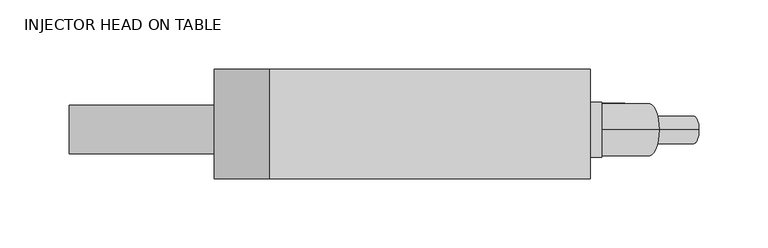
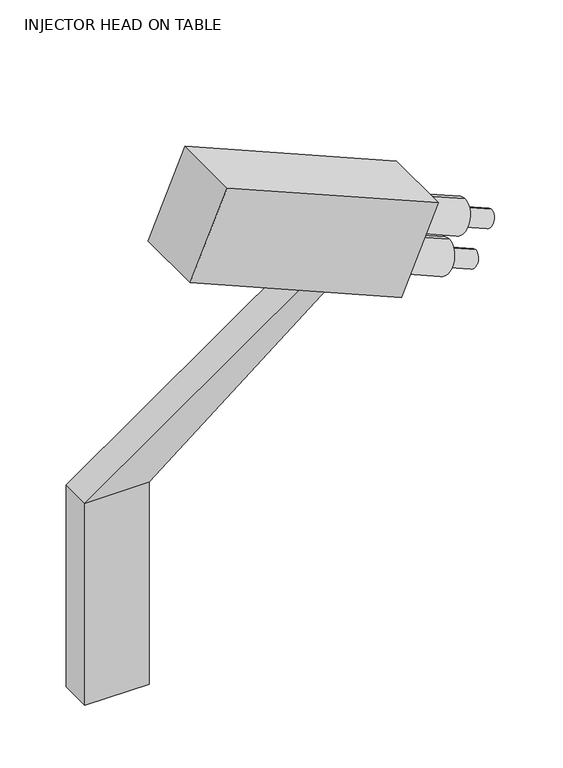
"""IFC4 building model written with IfcOpenShell, lengths in millimetres: proxy geometry, INJECTOR HEAD ON TABLE."""

from ifc_helpers import new_model, si_unit, point, frame, frame_2d, origin, place, context, project, spatial, polyline, circle_curve, trimmed, segment, composite_curve, outline, extrude, source, transform, mapped, element, save


def injector_head_on_table_94926797(model_context):
    return source(origin(), model_context, "Body", "SweptSolid", [
        extrude(outline(polyline([(0.0, -251.9015352), (0.0, 0.0), (79.5514495, 0.0), (79.5514495, -251.9015352), (0.0, -251.9015352)])), frame((248.6838708, 132.4505475, 1319.1063049), z_axis=(0.39073112848926705, 0.0, 0.9205048534524433), x_axis=(0.0, -1.0, 0.0)), (0.0, 0.0, 1.0), 103.7436607),
        extrude(outline(polyline([(0.0, -39.6875), (0.0, 0.0), (12.2938796, 0.0), (12.2938796, -39.6875), (0.0, -39.6875)])), frame((261.6103102, 68.7159212, 1318.0028647), z_axis=(0.3900087443499283, 0.0, 0.9208111529138818), x_axis=(-0.9208111529138818, 0.0, 0.3900087443499283)), (0.0, 0.0, 1.0), 92.075),
        extrude(outline(composite_curve([segment(trimmed(circle_curve(frame_2d((0.0, -9.8610056)), 9.8610056), [point((0.0, -19.7220113))], [point((0.0, 0.0))], False, "CARTESIAN"), True, "CONTINUOUS"), segment(trimmed(circle_curve(frame_2d((0.0, -9.8610056)), 9.8610056), [point((0.0, 0.0))], [point((0.0, -19.7220113))], False, "CARTESIAN"), True, "CONTINUOUS")], self_intersect=False)), frame((343.104165, 88.3518732, 1298.8733183), z_axis=(-0.9208111529138808, 0.0, 0.3900087443499307), x_axis=(0.0, 1.0, 0.0)), (0.0, 0.0, 1.0), 35.3087573),
        extrude(outline(composite_curve([segment(trimmed(circle_curve(frame_2d((0.0, -19.0499999)), 19.05), [point((0.0, -38.1))], [point((0.0, 0.0))], False, "CARTESIAN"), True, "CONTINUOUS"), segment(trimmed(circle_curve(frame_2d((0.0, -19.0499999)), 19.05), [point((0.0, 0.0))], [point((0.0, -38.1))], False, "CARTESIAN"), True, "CONTINUOUS")], self_intersect=False)), frame((307.0076793, 88.4690285, 1304.1827139), z_axis=(-0.9208111529138808, 0.0, 0.3900087443499307), x_axis=(0.0, 1.0, 0.0)), (0.0, 0.0, 1.0), 47.1923835),
        extrude(outline(composite_curve([segment(trimmed(circle_curve(frame_2d((0.0, -9.8610057)), 9.8610056), [point((0.0, -19.7220112))], [point((0.0, 0.0))], False, "CARTESIAN"), True, "CONTINUOUS"), segment(trimmed(circle_curve(frame_2d((0.0, -9.8610057)), 9.8610056), [point((0.0, 0.0))], [point((0.0, -19.7220112))], False, "CARTESIAN"), True, "CONTINUOUS")], self_intersect=False)), frame((360.4400537, 88.3518732, 1339.803374), z_axis=(-0.9208111529138808, 0.0, 0.3900087443499307), x_axis=(0.0, 1.0, 0.0)), (0.0, 0.0, 1.0), 35.3087573),
        extrude(outline(composite_curve([segment(trimmed(circle_curve(frame_2d((0.0, -19.05)), 19.05), [point((0.0, -38.1))], [point((0.0, 0.0))], False, "CARTESIAN"), True, "CONTINUOUS"), segment(trimmed(circle_curve(frame_2d((0.0, -19.05)), 19.05), [point((0.0, 0.0))], [point((0.0, -38.1))], False, "CARTESIAN"), True, "CONTINUOUS")], self_intersect=False)), frame((324.343568, 88.4690285, 1345.1127696), z_axis=(-0.9208111529138808, 0.0, 0.3900087443499307), x_axis=(0.0, 1.0, 0.0)), (0.0, 0.0, 1.0), 47.1923835),
        extrude(outline(polyline([(1363.1660997, 163.1660997), (1187.1439113, -88.2196378), (1187.1439113, -17.5370844), (1342.4643976, 177.6615876), (1363.1660997, 163.1660997)])), frame((0.0, 70.9829439, 0.0), z_axis=(0.0, 1.0, 0.0), x_axis=(0.0, 0.0, 1.0)), (0.0, 0.0, 1.0), 35.2754961),
        extrude(outline(polyline([(-17.5370844, 106.25844), (-17.5370844, 70.9829439), (-88.2196378, 70.9829439), (-88.2196378, 106.25844), (-17.5370844, 106.25844)])), frame((0.0, 0.0, 952.5), z_axis=(0.0, 0.0, 1.0), x_axis=(1.0, 0.0, 0.0)), (0.0, 0.0, 1.0), 234.6439113),
    ])


if __name__ == "__main__":
    model = new_model("IFC4")
    model_context = context("Model", 3, world=origin())
    ifc_project = project(units=[si_unit("LENGTHUNIT", "METRE", prefix="MILLI")], contexts=[model_context])
    site = spatial("IfcSite", under=ifc_project)
    building = spatial("IfcBuilding", under=site)
    placement = place(None, origin())
    injector_head_on_table_shape = injector_head_on_table_94926797(model_context)
    element("IfcBuildingElementProxy", 1, Name="INJECTOR HEAD ON TABLE", ObjectType="INJECTOR HEAD ON TABLE", at=placement, inside=building, context=model_context, shape_type="MappedRepresentation", body=[
        mapped(injector_head_on_table_shape, transform((0.0, 0.0, 0.0), x_axis=(1.0, 0.0, 0.0), y_axis=(0.0, 1.0, 0.0), z_axis=(0.0, 0.0, 1.0))),
    ])
    save(model, "model.ifc")
